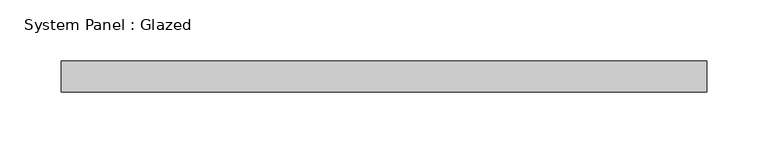
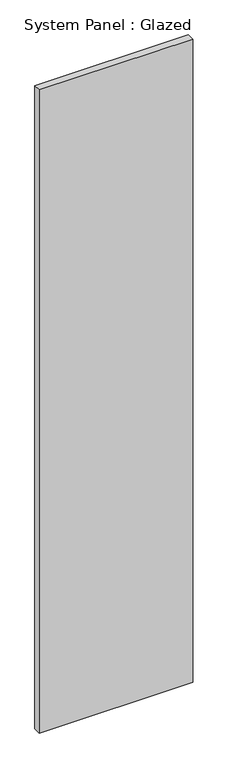
"""IFC4 building model written with IfcOpenShell, lengths in millimetres: plate geometry, System Panel : Glazed."""

from ifc_helpers import new_model, si_unit, origin, origin_with_axes, place, context, project, spatial, polyline, outline, extrude, source, transform, mapped, element, save


def system_panel_glazed_0fd77fa4(model_context):
    return source(origin(), model_context, "Body", "SweptSolid", [
        extrude(outline(polyline([(262.5, -49.5), (-262.5, -49.5), (-262.5, -24.5), (262.5, -24.5), (262.5, -49.5)])), origin_with_axes(), (0.0, 0.0, 1.0), 2325.0),
    ])


if __name__ == "__main__":
    model = new_model("IFC4")
    model_context = context("Model", 3, world=origin())
    ifc_project = project(units=[si_unit("LENGTHUNIT", "METRE", prefix="MILLI")], contexts=[model_context])
    site = spatial("IfcSite", under=ifc_project)
    building = spatial("IfcBuilding", under=site)
    placement = place(None, origin())
    system_panel_glazed_shape = system_panel_glazed_0fd77fa4(model_context)
    element("IfcPlate", 1, ObjectType="System Panel : Glazed", at=placement, inside=building, context=model_context, shape_type="MappedRepresentation", body=[
        mapped(system_panel_glazed_shape, transform((0.0, 0.0, 0.0), x_axis=(1.0, 0.0, 0.0), y_axis=(0.0, 1.0, 0.0), z_axis=(0.0, 0.0, 1.0))),
    ])
    save(model, "model.ifc")
